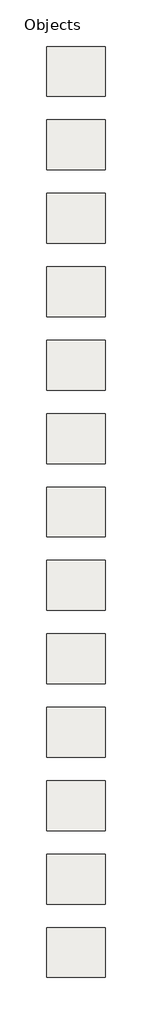
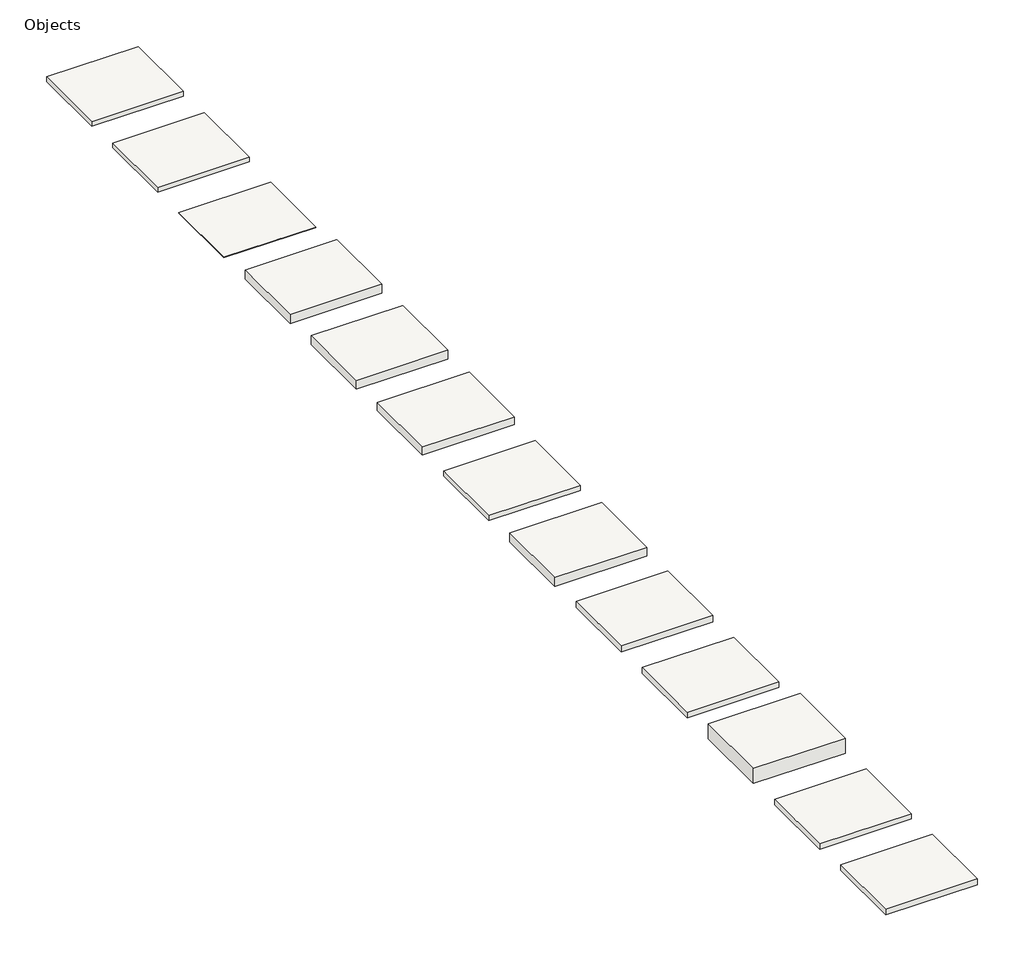
# One storey: 13 roofs.
"""IFC4 building model written with IfcOpenShell, lengths in millimetres."""

from ifc_helpers import new_model, si_unit, frame, origin, place, context, project, spatial, polyline, outline, extrude, element, save

model = new_model("IFC4")

# Units and contexts
model_context = context("Model", 3, world=origin())
ifc_project = project(units=[si_unit("LENGTHUNIT", "METRE", prefix="MILLI")], contexts=[model_context])

# Site, building, storey
site = spatial("IfcSite", under=ifc_project)
building = spatial("IfcBuilding", under=site)
storey = spatial("IfcBuildingStorey", under=building, Name="Objects", Elevation=2400.0)

# Roofs
placement = place(None, origin())
element("IfcRoof", 1, at=placement, inside=storey, context=model_context, shape_type="SweptSolid", body=[
    extrude(outline(polyline([(-1588.8993391, 1628.932151), (2411.1006609, 1628.932151), (2411.1006609, -1771.067849), (-1588.8993391, -1771.067849), (-1588.8993391, 1628.932151)])), frame((0.0, 0.0, 2400.0), z_axis=(0.0, 0.0, 1.0), x_axis=(1.0, 0.0, 0.0)), (0.0, 0.0, 1.0), 409.3),
])
element("IfcRoof", 2, at=placement, inside=storey, context=model_context, shape_type="SweptSolid", body=[
    extrude(outline(polyline([(-1588.8993391, -3371.067849), (2411.1006609, -3371.067849), (2411.1006609, -6771.067849), (-1588.8993391, -6771.067849), (-1588.8993391, -3371.067849)])), frame((0.0, 0.0, 2400.0), z_axis=(0.0, 0.0, 1.0), x_axis=(1.0, 0.0, 0.0)), (0.0, 0.0, 1.0), 356.8),
])
element("IfcRoof", 3, at=placement, inside=storey, context=model_context, shape_type="SweptSolid", body=[
    extrude(outline(polyline([(-1588.8993391, -13371.067849), (2411.1006609, -13371.067849), (2411.1006609, -16771.067849), (-1588.8993391, -16771.067849), (-1588.8993391, -13371.067849)])), frame((0.0, 0.0, 2400.0), z_axis=(0.0, 0.0, 1.0), x_axis=(1.0, 0.0, 0.0)), (0.0, 0.0, 1.0), 406.8),
])
element("IfcRoof", 4, at=placement, inside=storey, context=model_context, shape_type="SweptSolid", body=[
    extrude(outline(polyline([(-1588.8993391, -18371.067849), (2411.1006609, -18371.067849), (2411.1006609, -21771.067849), (-1588.8993391, -21771.067849), (-1588.8993391, -18371.067849)])), frame((0.0, 0.0, 2400.0), z_axis=(0.0, 0.0, 1.0), x_axis=(1.0, 0.0, 0.0)), (0.0, 0.0, 1.0), 282.2),
])
element("IfcRoof", 5, at=placement, inside=storey, context=model_context, shape_type="SweptSolid", body=[
    extrude(outline(polyline([(-1588.8993391, -23371.067849), (2411.1006609, -23371.067849), (2411.1006609, -26771.067849), (-1588.8993391, -26771.067849), (-1588.8993391, -23371.067849)])), frame((0.0, 0.0, 2400.0), z_axis=(0.0, 0.0, 1.0), x_axis=(1.0, 0.0, 0.0)), (0.0, 0.0, 1.0), 257.8),
])
element("IfcRoof", 6, at=placement, inside=storey, context=model_context, shape_type="SweptSolid", body=[
    extrude(outline(polyline([(-1588.8993391, -28371.067849), (2411.1006609, -28371.067849), (2411.1006609, -31771.067849), (-1588.8993391, -31771.067849), (-1588.8993391, -28371.067849)])), frame((0.0, 0.0, 2400.0), z_axis=(0.0, 0.0, 1.0), x_axis=(1.0, 0.0, 0.0)), (0.0, 0.0, 1.0), 696.8),
])
element("IfcRoof", 7, at=placement, inside=storey, context=model_context, shape_type="SweptSolid", body=[
    extrude(outline(polyline([(-1588.8993391, -33371.067849), (2411.1006609, -33371.067849), (2411.1006609, -36771.067849), (-1588.8993391, -36771.067849), (-1588.8993391, -33371.067849)])), frame((0.0, 0.0, 2400.0), z_axis=(0.0, 0.0, 1.0), x_axis=(1.0, 0.0, 0.0)), (0.0, 0.0, 1.0), 245.8),
])
element("IfcRoof", 8, at=placement, inside=storey, context=model_context, shape_type="SweptSolid", body=[
    extrude(outline(polyline([(-1588.8993391, -38371.067849), (2411.1006609, -38371.067849), (2411.1006609, -41771.067849), (-1588.8993391, -41771.067849), (-1588.8993391, -38371.067849)])), frame((0.0, 0.0, 2400.0), z_axis=(0.0, 0.0, 1.0), x_axis=(1.0, 0.0, 0.0)), (0.0, 0.0, 1.0), 260.8),
])
element("IfcRoof", 9, at=placement, inside=storey, context=model_context, shape_type="SweptSolid", body=[
    extrude(outline(polyline([(-1588.8993391, -8371.067849), (2411.1006609, -8371.067849), (2411.1006609, -11771.067849), (-1588.8993391, -11771.067849), (-1588.8993391, -8371.067849)])), frame((0.0, 0.0, 2400.0), z_axis=(0.0, 0.0, 1.0), x_axis=(1.0, 0.0, 0.0)), (0.0, 0.0, 1.0), 235.8),
])
element("IfcRoof", 10, at=placement, inside=storey, context=model_context, shape_type="SweptSolid", body=[
    extrude(outline(polyline([(-1588.8993391, 6628.932151), (2411.1006609, 6628.932151), (2411.1006609, 3228.932151), (-1588.8993391, 3228.932151), (-1588.8993391, 6628.932151)])), frame((0.0, 0.0, 2400.0), z_axis=(0.0, 0.0, 1.0), x_axis=(1.0, 0.0, 0.0)), (0.0, 0.0, 1.0), 409.3),
])
element("IfcRoof", 11, at=placement, inside=storey, context=model_context, shape_type="SweptSolid", body=[
    extrude(outline(polyline([(-1588.8993391, 11628.932151), (2411.1006609, 11628.932151), (2411.1006609, 8228.932151), (-1588.8993391, 8228.932151), (-1588.8993391, 11628.932151)])), frame((0.0, 0.0, 2400.0), z_axis=(0.0, 0.0, 1.0), x_axis=(1.0, 0.0, 0.0)), (0.0, 0.0, 1.0), 26.0),
])
element("IfcRoof", 12, at=placement, inside=storey, context=model_context, shape_type="SweptSolid", body=[
    extrude(outline(polyline([(-1588.8993391, 16628.932151), (2411.1006609, 16628.932151), (2411.1006609, 13228.932151), (-1588.8993391, 13228.932151), (-1588.8993391, 16628.932151)])), frame((0.0, 0.0, 2400.0), z_axis=(0.0, 0.0, 1.0), x_axis=(1.0, 0.0, 0.0)), (0.0, 0.0, 1.0), 203.0),
])
element("IfcRoof", 13, at=placement, inside=storey, context=model_context, shape_type="SweptSolid", body=[
    extrude(outline(polyline([(-1588.8993391, 21628.932151), (2411.1006609, 21628.932151), (2411.1006609, 18228.932151), (-1588.8993391, 18228.932151), (-1588.8993391, 21628.932151)])), frame((0.0, 0.0, 2400.0), z_axis=(0.0, 0.0, 1.0), x_axis=(1.0, 0.0, 0.0)), (0.0, 0.0, 1.0), 224.0),
])

save(model, "model.ifc")
